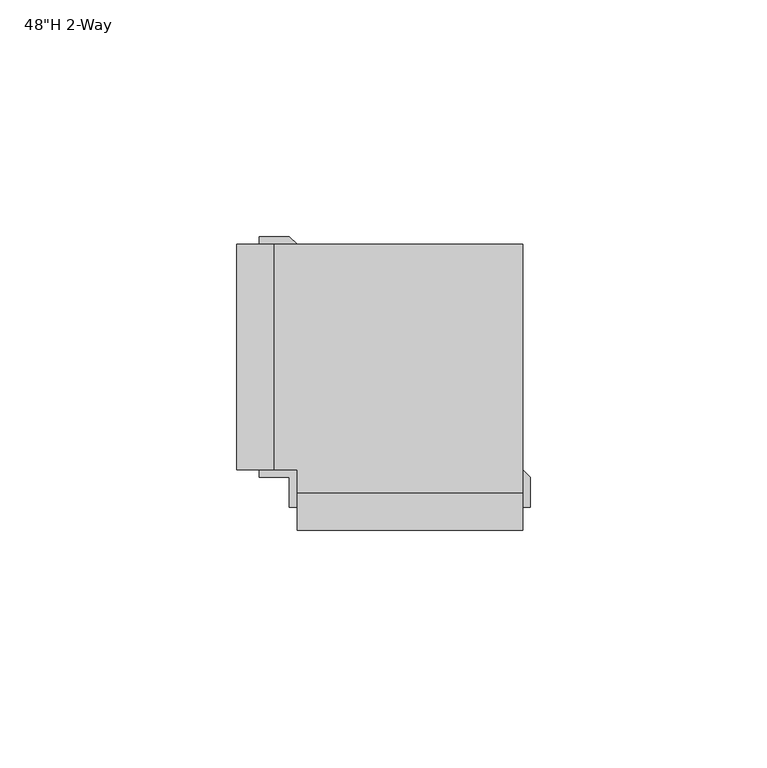
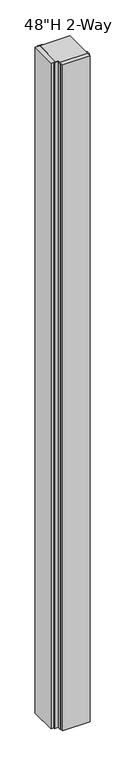
"""IFC4 building model written with IfcOpenShell, lengths in millimetres: furniture geometry."""

from ifc_helpers import new_model, si_unit, frame, origin, place, context, project, spatial, polyline, outline, extrude, source, transform, mapped, element, save


def furniture_346e823d(model_context):
    return source(origin(), model_context, "Body", "SweptSolid", [
        extrude(outline(polyline([(30.1631408, -9.2979136), (-17.4618569, -9.2979136), (-17.4618569, -4.5354151), (-22.2243609, -4.5354151), (-22.2243609, 43.0895849), (30.1631408, 43.0895849), (30.1631408, -9.2979136)])), frame((0.0, 0.0, 9.525), z_axis=(0.0, 0.0, 1.0), x_axis=(1.0, 0.0, 0.0)), (0.0, 0.0, 1.0), 1219.2),
        extrude(outline(polyline([(30.1631408, -17.2354151), (-17.4618569, -17.2354151), (-17.4618569, -9.2979136), (30.1631408, -9.2979136), (30.1631408, -17.2354151)])), frame((0.0, 0.0, 9.525), z_axis=(0.0, 0.0, 1.0), x_axis=(1.0, 0.0, 0.0)), (0.0, 0.0, 1.0), 1219.2),
        extrude(outline(polyline([(-30.1618607, 43.0895849), (-22.2243609, 43.0895849), (-22.2243609, -4.5354151), (-30.1618607, -4.5354151), (-30.1618607, 43.0895849)])), frame((0.0, 0.0, 9.525), z_axis=(0.0, 0.0, 1.0), x_axis=(1.0, 0.0, 0.0)), (0.0, 0.0, 1.0), 1219.2),
        extrude(outline(polyline([(-25.3993573, -4.5354151), (-17.4618569, -4.5354151), (-17.4618569, -12.4475174), (-19.049992, -12.4475174), (-19.049992, -6.1229151), (-25.3993573, -6.1229151), (-25.3993573, -4.5354151)])), frame((0.0, 0.0, 9.525), z_axis=(0.0, 0.0, 1.0), x_axis=(1.0, 0.0, 0.0)), (0.0, 0.0, 1.0), 1219.2),
        extrude(outline(polyline([(-25.3993573, 44.6770849), (-19.0493569, 44.6770849), (-17.4618569, 43.0895849), (-25.3993573, 43.0895849), (-25.3993573, 44.6770849)])), frame((0.0, 0.0, 9.525), z_axis=(0.0, 0.0, 1.0), x_axis=(1.0, 0.0, 0.0)), (0.0, 0.0, 1.0), 1219.2),
        extrude(outline(polyline([(31.750008, -12.4475174), (30.1631408, -12.4475174), (30.1631408, -4.536048), (31.750008, -6.1229151), (31.750008, -12.4475174)])), frame((0.0, 0.0, 9.525), z_axis=(0.0, 0.0, 1.0), x_axis=(1.0, 0.0, 0.0)), (0.0, 0.0, 1.0), 1219.2),
    ])


if __name__ == "__main__":
    model = new_model("IFC4")
    model_context = context("Model", 3, world=origin())
    ifc_project = project(units=[si_unit("LENGTHUNIT", "METRE", prefix="MILLI")], contexts=[model_context])
    site = spatial("IfcSite", under=ifc_project)
    building = spatial("IfcBuilding", under=site)
    placement = place(None, origin())
    furniture_shape = furniture_346e823d(model_context)
    element("IfcFurniture", 1, ObjectType="48\"H 2-Way", at=placement, inside=building, context=model_context, shape_type="MappedRepresentation", body=[
        mapped(furniture_shape, transform((0.0, 0.0, 0.0), x_axis=(1.0, 0.0, 0.0), y_axis=(0.0, 1.0, 0.0), z_axis=(0.0, 0.0, 1.0))),
    ])
    save(model, "model.ifc")
